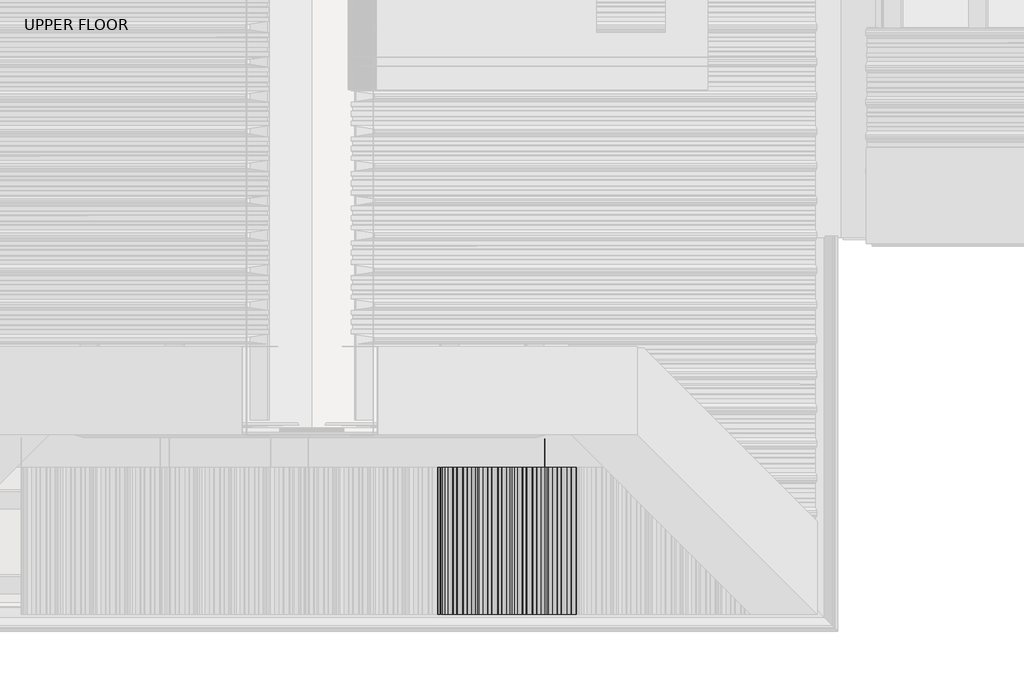
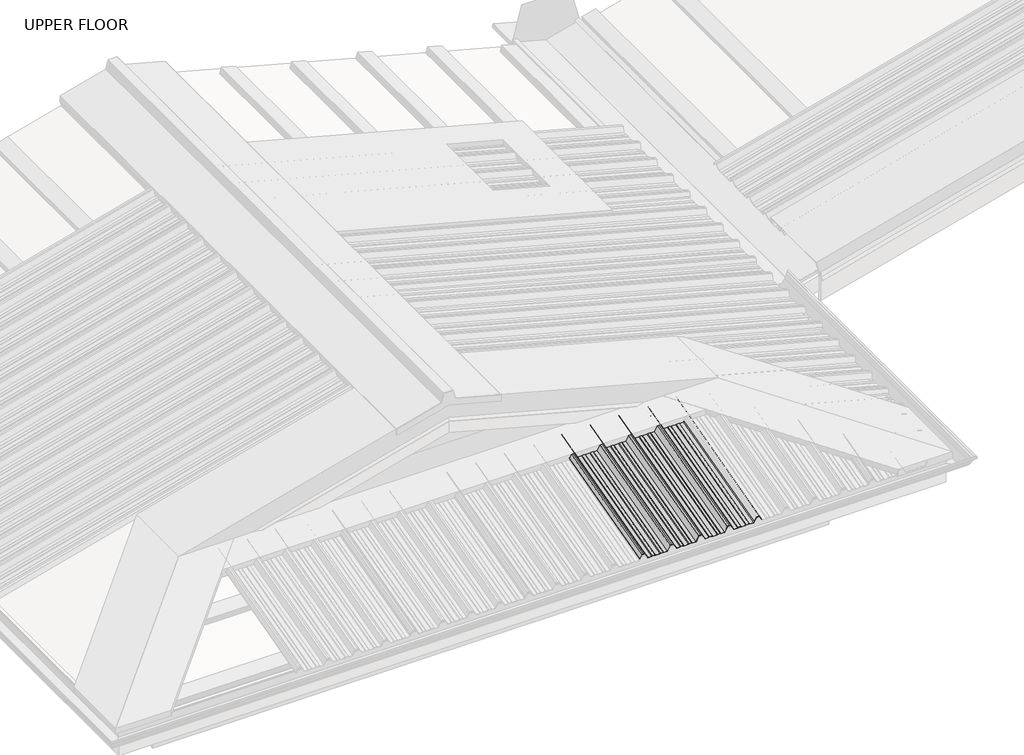
# One storey, part 10 of 21: 1 beam.
"""IFC4 building model written with IfcOpenShell, lengths in millimetres."""

from ifc_helpers import new_model, si_unit, frame, origin, place, context, project, spatial, circle_curve, ellipse_curve, element, save
from ifc_brep_helpers import plane_surface, cylinder_surface, advanced_brep

model = new_model("IFC4")

# Units and contexts
model_context = context("Model", 3, world=origin())
ifc_project = project(units=[si_unit("LENGTHUNIT", "METRE", prefix="MILLI")], contexts=[model_context])

# Site, building, storey
site = spatial("IfcSite", under=ifc_project)
building = spatial("IfcBuilding", under=site)
storey = spatial("IfcBuildingStorey", under=building, Name="UPPER FLOOR", Elevation=2700.0)

# Beam
placement = place(None, origin())
element("IfcBeam", 1, ObjectType="MC700", at=placement, inside=storey, context=model_context, shape_type="AdvancedBrep", body=[
    advanced_brep(
    [(3107.7151918, -3756.7074872, 3502.2532241), (3103.3348741, -3757.2355366, 3504.2239314), (3086.9068828, -3757.2355366, 3504.2239314), (3083.6918386, -3756.7074872, 3502.2532241), (3060.9942011, -3756.7074872, 3502.2532241), (3042.9196911, -3764.7308776, 3532.1969247), (3032.4942026, -3764.7308776, 3532.1969247), (3022.0687142, -3764.7308776, 3532.1969247), (3003.9942042, -3756.7074872, 3502.2532241), (2981.2965667, -3756.7074872, 3502.2532241), (2978.0815225, -3757.2355366, 3504.2239314), (2961.6535312, -3757.2355366, 3504.2239314), (2957.2732135, -3756.7074872, 3502.2532241), (2930.2151918, -3756.7074872, 3502.2532241), (2925.8348741, -3757.2355366, 3504.2239314), (2909.4068828, -3757.2355366, 3504.2239314), (2906.1918386, -3756.7074872, 3502.2532241), (2883.4942011, -3756.7074872, 3502.2532241), (2865.4196911, -3764.7308776, 3532.1969247), (2854.9942026, -3764.7308776, 3532.1969247), (2844.5687142, -3764.7308776, 3532.1969247), (2826.4942042, -3756.7074872, 3502.2532241), (2803.7965667, -3756.7074872, 3502.2532241), (2800.5815225, -3757.2355366, 3504.2239314), (2784.1535312, -3757.2355366, 3504.2239314), (2779.7732135, -3756.7074872, 3502.2532241), (2752.7151918, -3756.7074872, 3502.2532241), (2748.3348741, -3757.2355366, 3504.2239314), (2731.9068828, -3757.2355366, 3504.2239314), (2728.6918386, -3756.7074872, 3502.2532241), (2705.9942011, -3756.7074872, 3502.2532241), (2687.9196911, -3764.7308776, 3532.1969247), (2677.4942026, -3764.7308776, 3532.1969247), (2667.0687142, -3764.7308776, 3532.1969247), (2654.7658996, -3759.2695796, 3511.8150832), (2653.9020137, -3759.3999436, 3512.301608), (2666.4942026, -3764.9896966, 3533.1628505), (2677.4942026, -3764.9896966, 3533.1628505), (2688.4942026, -3764.9896966, 3533.1628505), (2706.5687126, -3756.9663062, 3503.2191499), (2728.4013241, -3756.9663062, 3503.2191499), (2731.6163683, -3757.4943557, 3505.1898572), (2748.5563376, -3757.4943557, 3505.1898572), (2752.9366553, -3756.9663062, 3503.2191499), (2779.55175, -3756.9663062, 3503.2191499), (2783.9320677, -3757.4943557, 3505.1898572), (2800.872037, -3757.4943557, 3505.1898572), (2804.0870812, -3756.9663062, 3503.2191499), (2825.9196927, -3756.9663062, 3503.2191499), (2843.9942026, -3764.9896966, 3533.1628505), (2854.9942026, -3764.9896966, 3533.1628505), (2865.9942026, -3764.9896966, 3533.1628505), (2884.0687126, -3756.9663062, 3503.2191499), (2905.9013241, -3756.9663062, 3503.2191499), (2909.1163683, -3757.4943557, 3505.1898572), (2926.0563376, -3757.4943557, 3505.1898572), (2930.4366553, -3756.9663062, 3503.2191499), (2957.05175, -3756.9663062, 3503.2191499), (2961.4320677, -3757.4943557, 3505.1898572), (2978.372037, -3757.4943557, 3505.1898572), (2981.5870812, -3756.9663062, 3503.2191499), (3003.4196927, -3756.9663062, 3503.2191499), (3021.4942026, -3764.9896966, 3533.1628505), (3032.4942026, -3764.9896966, 3533.1628505), (3043.4942026, -3764.9896966, 3533.1628505), (3061.5687126, -3756.9663062, 3503.2191499), (3083.4013241, -3756.9663062, 3503.2191499), (3086.6163683, -3757.4943557, 3505.1898572), (3103.5563376, -3757.4943557, 3505.1898572), (3107.9366553, -3756.9663062, 3503.2191499), (3134.55175, -3756.9663062, 3503.2191499), (3138.9320677, -3757.4943557, 3505.1898572), (3155.872037, -3757.4943557, 3505.1898572), (3159.0870812, -3756.9663062, 3503.2191499), (3180.9196927, -3756.9663062, 3503.2191499), (3198.9942026, -3764.9896966, 3533.1628505), (3209.9942026, -3764.9896966, 3533.1628505), (3220.9942026, -3764.9896966, 3533.1628505), (3239.0687126, -3756.9663062, 3503.2191499), (3260.9013241, -3756.9663062, 3503.2191499), (3264.1163683, -3757.4943557, 3505.1898572), (3281.0563376, -3757.4943557, 3505.1898572), (3285.4366553, -3756.9663062, 3503.2191499), (3312.05175, -3756.9663062, 3503.2191499), (3316.4320677, -3757.4943557, 3505.1898572), (3333.372037, -3757.4943557, 3505.1898572), (3336.5870812, -3756.9663062, 3503.2191499), (3360.7348132, -3756.9663062, 3503.2191499), (3377.6432258, -3764.4720586, 3531.2309989), (3397.3451795, -3764.4720586, 3531.2309989), (3411.7906953, -3758.0596019, 3507.2993847), (3410.9268094, -3757.9292379, 3506.8128599), (3396.7706679, -3764.2132395, 3530.265073), (3378.2177374, -3764.2132395, 3530.265073), (3361.3093248, -3756.7074872, 3502.2532241), (3336.2965667, -3756.7074872, 3502.2532241), (3333.0815225, -3757.2355366, 3504.2239314), (3316.6535312, -3757.2355366, 3504.2239314), (3312.2732135, -3756.7074872, 3502.2532241), (3285.2151918, -3756.7074872, 3502.2532241), (3280.8348741, -3757.2355366, 3504.2239314), (3264.4068828, -3757.2355366, 3504.2239314), (3261.1918386, -3756.7074872, 3502.2532241), (3238.4942011, -3756.7074872, 3502.2532241), (3220.4196911, -3764.7308776, 3532.1969247), (3209.9942026, -3764.7308776, 3532.1969247), (3199.5687142, -3764.7308776, 3532.1969247), (3181.4942042, -3756.7074872, 3502.2532241), (3158.7965667, -3756.7074872, 3502.2532241), (3155.5815225, -3757.2355366, 3504.2239314), (3139.1535312, -3757.2355366, 3504.2239314), (3134.7732135, -3756.7074872, 3502.2532241), (2961.6535312, -4660.4975954, 3262.1955922), (2957.2732135, -4660.4975954, 3260.0833945), (2930.2151918, -4660.4975954, 3260.0833945), (2925.8348741, -4660.4975954, 3262.1955922), (2909.4068828, -4660.4975954, 3262.1955922), (2906.1918386, -4660.4975954, 3260.0833945), (2883.4942011, -4660.4975954, 3260.0833945), (2865.4196911, -4660.4975954, 3292.176956), (2854.9942026, -4660.4975954, 3292.176956), (2844.5687142, -4660.4975954, 3292.176956), (2826.4942042, -4660.4975954, 3260.0833945), (2803.7965667, -4660.4975954, 3260.0833945), (2800.5815225, -4660.4975954, 3262.1955922), (2784.1535312, -4660.4975954, 3262.1955922), (2779.7732135, -4660.4975954, 3260.0833945), (2752.7151918, -4660.4975954, 3260.0833945), (2748.3348741, -4660.4975954, 3262.1955922), (2731.9068828, -4660.4975954, 3262.1955922), (2728.6918386, -4660.4975954, 3260.0833945), (2705.9942011, -4660.4975954, 3260.0833945), (2687.9196911, -4660.4975954, 3292.176956), (2677.4942026, -4660.4975954, 3292.176956), (2667.0687142, -4660.4975954, 3292.176956), (2654.7658996, -4660.4975954, 3270.3317642), (2653.9020137, -4660.4975954, 3270.8532199), (2666.4942026, -4660.4975954, 3293.2122322), (2677.4942026, -4660.4975954, 3293.2122322), (2688.4942026, -4660.4975954, 3293.2122322), (2706.5687126, -4660.4975954, 3261.1186706), (2728.4013241, -4660.4975954, 3261.1186706), (2731.6163683, -4660.4975954, 3263.2308683), (2748.5563376, -4660.4975954, 3263.2308683), (2752.9366553, -4660.4975954, 3261.1186706), (2779.55175, -4660.4975954, 3261.1186706), (2783.9320677, -4660.4975954, 3263.2308683), (2800.872037, -4660.4975954, 3263.2308683), (2804.0870812, -4660.4975954, 3261.1186706), (2825.9196927, -4660.4975954, 3261.1186706), (2843.9942026, -4660.4975954, 3293.2122322), (2854.9942026, -4660.4975954, 3293.2122322), (2865.9942026, -4660.4975954, 3293.2122322), (2884.0687126, -4660.4975954, 3261.1186706), (2905.9013241, -4660.4975954, 3261.1186706), (2909.1163683, -4660.4975954, 3263.2308683), (2926.0563376, -4660.4975954, 3263.2308683), (2930.4366553, -4660.4975954, 3261.1186706), (2957.05175, -4660.4975954, 3261.1186706), (2961.4320677, -4660.4975954, 3263.2308683), (2978.372037, -4660.4975954, 3263.2308683), (2981.5870812, -4660.4975954, 3261.1186706), (3003.4196927, -4660.4975954, 3261.1186706), (3021.4942026, -4660.4975954, 3293.2122322), (3032.4942026, -4660.4975954, 3293.2122322), (3043.4942026, -4660.4975954, 3293.2122322), (3061.5687126, -4660.4975954, 3261.1186706), (3083.4013241, -4660.4975954, 3261.1186706), (3086.6163683, -4660.4975954, 3263.2308683), (3103.5563376, -4660.4975954, 3263.2308683), (3107.9366553, -4660.4975954, 3261.1186706), (3134.55175, -4660.4975954, 3261.1186706), (3138.9320677, -4660.4975954, 3263.2308683), (3155.872037, -4660.4975954, 3263.2308683), (3159.0870812, -4660.4975954, 3261.1186706), (3180.9196927, -4660.4975954, 3261.1186706), (3198.9942026, -4660.4975954, 3293.2122322), (3209.9942026, -4660.4975954, 3293.2122322), (3220.9942026, -4660.4975954, 3293.2122322), (3239.0687126, -4660.4975954, 3261.1186706), (3260.9013241, -4660.4975954, 3261.1186706), (3264.1163683, -4660.4975954, 3263.2308683), (3281.0563376, -4660.4975954, 3263.2308683), (3285.4366553, -4660.4975954, 3261.1186706), (3312.05175, -4660.4975954, 3261.1186706), (3316.4320677, -4660.4975954, 3263.2308683), (3333.372037, -4660.4975954, 3263.2308683), (3336.5870812, -4660.4975954, 3261.1186706), (3360.7348132, -4660.4975954, 3261.1186706), (3377.6432258, -4660.4975954, 3291.1416799), (3397.3451795, -4660.4975954, 3291.1416799), (3411.7906953, -4660.4975954, 3265.4918531), (3410.9268094, -4660.4975954, 3264.9703974), (3396.7706679, -4660.4975954, 3290.1064037), (3378.2177374, -4660.4975954, 3290.1064037), (3361.3093248, -4660.4975954, 3260.0833945), (3336.2965667, -4660.4975954, 3260.0833945), (3333.0815225, -4660.4975954, 3262.1955922), (3316.6535312, -4660.4975954, 3262.1955922), (3312.2732135, -4660.4975954, 3260.0833945), (3285.2151918, -4660.4975954, 3260.0833945), (3280.8348741, -4660.4975954, 3262.1955922), (3264.4068828, -4660.4975954, 3262.1955922), (3261.1918386, -4660.4975954, 3260.0833945), (3238.4942011, -4660.4975954, 3260.0833945), (3220.4196911, -4660.4975954, 3292.176956), (3209.9942026, -4660.4975954, 3292.176956), (3199.5687142, -4660.4975954, 3292.176956), (3181.4942042, -4660.4975954, 3260.0833945), (3158.7965667, -4660.4975954, 3260.0833945), (3155.5815225, -4660.4975954, 3262.1955922), (3139.1535312, -4660.4975954, 3262.1955922), (3134.7732135, -4660.4975954, 3260.0833945), (3107.7151918, -4660.4975954, 3260.0833945), (3103.3348741, -4660.4975954, 3262.1955922), (3086.9068828, -4660.4975954, 3262.1955922), (3083.6918386, -4660.4975954, 3260.0833945), (3060.9942011, -4660.4975954, 3260.0833945), (3042.9196911, -4660.4975954, 3292.176956), (3032.4942026, -4660.4975954, 3292.176956), (3022.0687142, -4660.4975954, 3292.176956), (3003.9942042, -4660.4975954, 3260.0833945), (2981.2965667, -4660.4975954, 3260.0833945), (2978.0815225, -4660.4975954, 3262.1955922)],
    [
        (0, 1),
        (1, 2),
        (2, 3),
        (3, 4),
        (4, 5),
        (5, 6),
        (6, 7),
        (7, 8),
        (8, 9),
        (9, 10),
        (10, 11),
        (11, 12),
        (12, 13),
        (13, 14),
        (14, 15),
        (15, 16),
        (16, 17),
        (17, 18),
        (18, 19),
        (19, 20),
        (20, 21),
        (21, 22),
        (22, 23),
        (23, 24),
        (24, 25),
        (25, 26),
        (26, 27),
        (27, 28),
        (28, 29),
        (29, 30),
        (30, 31),
        (31, 32),
        (32, 33),
        (33, 34),
        (34, 35, circle_curve(frame((2654.3339567, -3759.3347616, 3512.0583456), z_axis=(0.0, 0.9659258262890683, 0.2588190451025206), x_axis=(-1.0, 0.0, 0.0)), 0.5)),
        (35, 36),
        (36, 37),
        (37, 38),
        (38, 39),
        (39, 40),
        (40, 41),
        (41, 42),
        (42, 43),
        (43, 44),
        (44, 45),
        (45, 46),
        (46, 47),
        (47, 48),
        (48, 49),
        (49, 50),
        (50, 51),
        (51, 52),
        (52, 53),
        (53, 54),
        (54, 55),
        (55, 56),
        (56, 57),
        (57, 58),
        (58, 59),
        (59, 60),
        (60, 61),
        (61, 62),
        (62, 63),
        (63, 64),
        (64, 65),
        (65, 66),
        (66, 67),
        (67, 68),
        (68, 69),
        (69, 70),
        (70, 71),
        (71, 72),
        (72, 73),
        (73, 74),
        (74, 75),
        (75, 76),
        (76, 77),
        (77, 78),
        (78, 79),
        (79, 80),
        (80, 81),
        (81, 82),
        (82, 83),
        (83, 84),
        (84, 85),
        (85, 86),
        (86, 87),
        (87, 88),
        (88, 89),
        (89, 90),
        (90, 91, circle_curve(frame((3411.3587523, -3757.9944199, 3507.0561223), z_axis=(0.0, 0.9659258262890683, 0.2588190451025206), x_axis=(-1.0, 0.0, 0.0)), 0.5)),
        (91, 92),
        (92, 93),
        (93, 94),
        (94, 95),
        (95, 96),
        (96, 97),
        (97, 98),
        (98, 99),
        (99, 100),
        (100, 101),
        (101, 102),
        (102, 103),
        (103, 104),
        (104, 105),
        (105, 106),
        (106, 107),
        (107, 108),
        (108, 109),
        (109, 110),
        (110, 111),
        (111, 0),
        (11, 112),
        (112, 113),
        (113, 12),
        (113, 114),
        (114, 13),
        (114, 115),
        (115, 14),
        (115, 116),
        (116, 15),
        (116, 117),
        (117, 16),
        (117, 118),
        (118, 17),
        (118, 119),
        (119, 18),
        (119, 120),
        (120, 19),
        (120, 121),
        (121, 20),
        (121, 122),
        (122, 21),
        (122, 123),
        (123, 22),
        (123, 124),
        (124, 23),
        (124, 125),
        (125, 24),
        (125, 126),
        (126, 25),
        (126, 127),
        (127, 26),
        (127, 128),
        (128, 27),
        (128, 129),
        (129, 28),
        (129, 130),
        (130, 29),
        (130, 131),
        (131, 30),
        (131, 132),
        (132, 31),
        (132, 133),
        (133, 32),
        (133, 134),
        (134, 33),
        (134, 135),
        (135, 34),
        (135, 136, ellipse_curve(frame((2654.3339567, -4660.4975954, 3270.5924921), z_axis=(0.0, 1.0, 0.0), x_axis=(0.0, 0.0, 1.0)), 0.5176381, 0.5)),
        (136, 35),
        (136, 137),
        (137, 36),
        (137, 138),
        (138, 37),
        (138, 139),
        (139, 38),
        (139, 140),
        (140, 39),
        (140, 141),
        (141, 40),
        (141, 142),
        (142, 41),
        (142, 143),
        (143, 42),
        (143, 144),
        (144, 43),
        (144, 145),
        (145, 44),
        (145, 146),
        (146, 45),
        (146, 147),
        (147, 46),
        (147, 148),
        (148, 47),
        (148, 149),
        (149, 48),
        (149, 150),
        (150, 49),
        (150, 151),
        (151, 50),
        (151, 152),
        (152, 51),
        (152, 153),
        (153, 52),
        (153, 154),
        (154, 53),
        (154, 155),
        (155, 54),
        (155, 156),
        (156, 55),
        (156, 157),
        (157, 56),
        (157, 158),
        (158, 57),
        (158, 159),
        (159, 58),
        (159, 160),
        (160, 59),
        (160, 161),
        (161, 60),
        (161, 162),
        (162, 61),
        (162, 163),
        (163, 62),
        (163, 164),
        (164, 63),
        (164, 165),
        (165, 64),
        (165, 166),
        (166, 65),
        (166, 167),
        (167, 66),
        (167, 168),
        (168, 67),
        (168, 169),
        (169, 68),
        (169, 170),
        (170, 69),
        (170, 171),
        (171, 70),
        (171, 172),
        (172, 71),
        (172, 173),
        (173, 72),
        (173, 174),
        (174, 73),
        (174, 175),
        (175, 74),
        (175, 176),
        (176, 75),
        (176, 177),
        (177, 76),
        (177, 178),
        (178, 77),
        (178, 179),
        (179, 78),
        (179, 180),
        (180, 79),
        (180, 181),
        (181, 80),
        (181, 182),
        (182, 81),
        (182, 183),
        (183, 82),
        (183, 184),
        (184, 83),
        (184, 185),
        (185, 84),
        (185, 186),
        (186, 85),
        (186, 187),
        (187, 86),
        (187, 188),
        (188, 87),
        (188, 189),
        (189, 88),
        (189, 190),
        (190, 89),
        (190, 191),
        (191, 90),
        (191, 192, ellipse_curve(frame((3411.3587523, -4660.4975954, 3265.2311252), z_axis=(0.0, 1.0, 0.0), x_axis=(0.0, 0.0, 1.0)), 0.5176381, 0.5)),
        (192, 91),
        (192, 193),
        (193, 92),
        (193, 194),
        (194, 93),
        (194, 195),
        (195, 94),
        (195, 196),
        (196, 95),
        (196, 197),
        (197, 96),
        (197, 198),
        (198, 97),
        (198, 199),
        (199, 98),
        (199, 200),
        (200, 99),
        (200, 201),
        (201, 100),
        (201, 202),
        (202, 101),
        (202, 203),
        (203, 102),
        (203, 204),
        (204, 103),
        (204, 205),
        (205, 104),
        (205, 206),
        (206, 105),
        (206, 207),
        (207, 106),
        (207, 208),
        (208, 107),
        (208, 209),
        (209, 108),
        (209, 210),
        (210, 109),
        (210, 211),
        (211, 110),
        (211, 212),
        (212, 111),
        (212, 213),
        (213, 0),
        (213, 214),
        (214, 1),
        (214, 215),
        (215, 2),
        (215, 216),
        (216, 3),
        (216, 217),
        (217, 4),
        (217, 218),
        (218, 5),
        (218, 219),
        (219, 6),
        (219, 220),
        (220, 7),
        (220, 221),
        (221, 8),
        (221, 222),
        (222, 9),
        (222, 223),
        (223, 10),
        (223, 112),
    ],
    [
        plane_surface(frame((3107.7151918, -3756.7074872, 3502.2532241), z_axis=(0.0, 0.9659258262890683, 0.2588190451025206), x_axis=(-0.9064939238095152, -0.10927828227881031, 0.40783210162838035))),
        plane_surface(frame((2961.6535312, -3757.2355366, 3504.2239314), z_axis=(0.4222188604224432, 0.23461789175161535, -0.8756058923817271), x_axis=(0.0, -0.9659258262890683, -0.2588190451025206))),
        plane_surface(frame((2957.2732135, -3756.7074872, 3502.2532241), z_axis=(0.0, 0.2588190451025206, -0.9659258262890683), x_axis=(0.0, -0.9659258262890683, -0.2588190451025206))),
        plane_surface(frame((2930.2151918, -3756.7074872, 3502.2532241), z_axis=(-0.42221886042244317, 0.23461789175161676, -0.8756058923817267), x_axis=(0.0, -0.9659258262890683, -0.2588190451025206))),
        plane_surface(frame((2925.8348741, -3757.2355366, 3504.2239314), z_axis=(0.0, 0.2588190451025206, -0.9659258262890683), x_axis=(0.0, -0.9659258262890683, -0.2588190451025206))),
        plane_surface(frame((2909.4068828, -3757.2355366, 3504.2239314), z_axis=(0.5358075541289593, 0.21853130769187554, -0.8155699433505511), x_axis=(0.0, -0.9659258262890683, -0.2588190451025206))),
        plane_surface(frame((2906.1918386, -3756.7074872, 3502.2532241), z_axis=(0.0, 0.2588190451025206, -0.9659258262890683), x_axis=(0.0, -0.9659258262890683, -0.2588190451025206))),
        plane_surface(frame((2883.4942011, -3756.7074872, 3502.2532241), z_axis=(-0.8638858976217888, 0.1303639327417882, -0.4865248204668401), x_axis=(0.0, -0.9659258262890683, -0.2588190451025206))),
        plane_surface(frame((2865.4196911, -3764.7308776, 3532.1969247), z_axis=(0.0, 0.2588190451025206, -0.9659258262890683), x_axis=(0.0, -0.9659258262890683, -0.2588190451025206))),
        plane_surface(frame((2854.9942026, -3764.7308776, 3532.1969247), z_axis=(0.0, 0.2588190451025206, -0.9659258262890683), x_axis=(0.0, -0.9659258262890683, -0.2588190451025206))),
        plane_surface(frame((2844.5687142, -3764.7308776, 3532.1969247), z_axis=(0.8638858976217945, 0.13036393274178276, -0.4865248204668313), x_axis=(0.0, -0.9659258262890683, -0.2588190451025206))),
        plane_surface(frame((2826.4942042, -3756.7074872, 3502.2532241), z_axis=(0.0, 0.2588190451025206, -0.9659258262890683), x_axis=(0.0, -0.9659258262890683, -0.2588190451025206))),
        plane_surface(frame((2803.7965667, -3756.7074872, 3502.2532241), z_axis=(-0.5358075541289401, 0.21853130769188048, -0.8155699433505624), x_axis=(0.0, -0.9659258262890683, -0.2588190451025206))),
        plane_surface(frame((2800.5815225, -3757.2355366, 3504.2239314), z_axis=(0.0, 0.2588190451025206, -0.9659258262890683), x_axis=(0.0, -0.9659258262890683, -0.2588190451025206))),
        plane_surface(frame((2784.1535312, -3757.2355366, 3504.2239314), z_axis=(0.42221886042244033, 0.23461789175161574, -0.8756058923817285), x_axis=(0.0, -0.9659258262890683, -0.2588190451025206))),
        plane_surface(frame((2779.7732135, -3756.7074872, 3502.2532241), z_axis=(0.0, 0.2588190451025206, -0.9659258262890683), x_axis=(0.0, -0.9659258262890683, -0.2588190451025206))),
        plane_surface(frame((2752.7151918, -3756.7074872, 3502.2532241), z_axis=(-0.4222188604224432, 0.23461789175161682, -0.8756058923817267), x_axis=(0.0, -0.9659258262890683, -0.2588190451025206))),
        plane_surface(frame((2748.3348741, -3757.2355366, 3504.2239314), z_axis=(0.0, 0.2588190451025206, -0.9659258262890683), x_axis=(0.0, -0.9659258262890683, -0.2588190451025206))),
        plane_surface(frame((2731.9068828, -3757.2355366, 3504.2239314), z_axis=(0.5358075541289594, 0.21853130769187548, -0.8155699433505512), x_axis=(0.0, -0.9659258262890683, -0.2588190451025206))),
        plane_surface(frame((2728.6918386, -3756.7074872, 3502.2532241), z_axis=(0.0, 0.2588190451025206, -0.9659258262890683), x_axis=(0.0, -0.9659258262890683, -0.2588190451025206))),
        plane_surface(frame((2705.9942011, -3756.7074872, 3502.2532241), z_axis=(-0.8638858976217888, 0.1303639327417882, -0.4865248204668401), x_axis=(0.0, -0.9659258262890683, -0.2588190451025206))),
        plane_surface(frame((2687.9196911, -3764.7308776, 3532.1969247), z_axis=(0.0, 0.2588190451025206, -0.9659258262890683), x_axis=(0.0, -0.9659258262890683, -0.2588190451025206))),
        plane_surface(frame((2677.4942026, -3764.7308776, 3532.1969247), z_axis=(0.0, 0.2588190451025205, -0.9659258262890683), x_axis=(0.0, -0.9659258262890683, -0.2588190451025205))),
        plane_surface(frame((2667.0687142, -3764.7308776, 3532.1969247), z_axis=(0.8638858976217889, 0.13036393274178504, -0.48652482046684026), x_axis=(0.0, -0.9659258262890683, -0.2588190451025206))),
        cylinder_surface(frame((2654.3339567, -4672.135119, 3267.474227), z_axis=(0.0, 0.9659258262890683, 0.2588190451025206), x_axis=(-1.0, 0.0, 0.0)), 0.5),
        plane_surface(frame((2653.9020137, -3759.3999436, 3512.301608), z_axis=(-0.8638858976218091, -0.1303639327417763, 0.48652482046680706), x_axis=(0.0, -0.9659258262890683, -0.25881904510252063))),
        plane_surface(frame((2666.4942026, -3764.9896966, 3533.1628505), z_axis=(0.0, -0.2588190451025205, 0.9659258262890683), x_axis=(0.0, -0.9659258262890683, -0.2588190451025205))),
        plane_surface(frame((2677.4942026, -3764.9896966, 3533.1628505), z_axis=(0.0, -0.2588190451025206, 0.9659258262890683), x_axis=(0.0, -0.9659258262890683, -0.2588190451025206))),
        plane_surface(frame((2688.4942026, -3764.9896966, 3533.1628505), z_axis=(0.8638858976217888, -0.13036393274178834, 0.48652482046684004), x_axis=(0.0, -0.9659258262890683, -0.25881904510252063))),
        plane_surface(frame((2706.5687126, -3756.9663062, 3503.2191499), z_axis=(0.0, -0.2588190451025206, 0.9659258262890683), x_axis=(0.0, -0.9659258262890683, -0.2588190451025206))),
        plane_surface(frame((2728.4013241, -3756.9663062, 3503.2191499), z_axis=(-0.5358075541289432, -0.21853130769187817, 0.8155699433505609), x_axis=(0.0, -0.9659258262890683, -0.2588190451025206))),
        plane_surface(frame((2731.6163683, -3757.4943557, 3505.1898572), z_axis=(0.0, -0.2588190451025206, 0.9659258262890683), x_axis=(0.0, -0.9659258262890683, -0.2588190451025206))),
        plane_surface(frame((2748.5563376, -3757.4943557, 3505.1898572), z_axis=(0.4222188604224461, -0.2346178917516165, 0.8756058923817254), x_axis=(0.0, -0.9659258262890683, -0.25881904510252063))),
        plane_surface(frame((2752.9366553, -3756.9663062, 3503.2191499), z_axis=(0.0, -0.2588190451025206, 0.9659258262890683), x_axis=(0.0, -0.9659258262890683, -0.2588190451025206))),
        plane_surface(frame((2779.55175, -3756.9663062, 3503.2191499), z_axis=(-0.42221886042243784, -0.23461789175161601, 0.8756058923817296), x_axis=(0.0, -0.9659258262890683, -0.2588190451025206))),
        plane_surface(frame((2783.9320677, -3757.4943557, 3505.1898572), z_axis=(0.0, -0.2588190451025206, 0.9659258262890683), x_axis=(0.0, -0.9659258262890683, -0.2588190451025206))),
        plane_surface(frame((2800.872037, -3757.4943557, 3505.1898572), z_axis=(0.5358075541289593, -0.21853130769187734, 0.8155699433505507), x_axis=(0.0, -0.9659258262890683, -0.2588190451025206))),
        plane_surface(frame((2804.0870812, -3756.9663062, 3503.2191499), z_axis=(0.0, -0.2588190451025206, 0.9659258262890683), x_axis=(0.0, -0.9659258262890683, -0.2588190451025206))),
        plane_surface(frame((2825.9196927, -3756.9663062, 3503.2191499), z_axis=(-0.8638858976217945, -0.13036393274178268, 0.4865248204668312), x_axis=(0.0, -0.9659258262890683, -0.2588190451025206))),
        plane_surface(frame((2843.9942026, -3764.9896966, 3533.1628505), z_axis=(0.0, -0.2588190451025206, 0.9659258262890683), x_axis=(0.0, -0.9659258262890683, -0.2588190451025206))),
        plane_surface(frame((2854.9942026, -3764.9896966, 3533.1628505), z_axis=(0.0, -0.2588190451025206, 0.9659258262890683), x_axis=(0.0, -0.9659258262890683, -0.2588190451025206))),
        plane_surface(frame((2865.9942026, -3764.9896966, 3533.1628505), z_axis=(0.8638858976217905, -0.1303639327417875, 0.4865248204668373), x_axis=(0.0, -0.9659258262890683, -0.2588190451025206))),
        plane_surface(frame((2884.0687126, -3756.9663062, 3503.2191499), z_axis=(0.0, -0.2588190451025206, 0.9659258262890683), x_axis=(0.0, -0.9659258262890683, -0.2588190451025206))),
        plane_surface(frame((2905.9013241, -3756.9663062, 3503.2191499), z_axis=(-0.5358075541289593, -0.21853130769187554, 0.8155699433505512), x_axis=(0.0, -0.9659258262890683, -0.2588190451025206))),
        plane_surface(frame((2909.1163683, -3757.4943557, 3505.1898572), z_axis=(0.0, -0.2588190451025206, 0.9659258262890683), x_axis=(0.0, -0.9659258262890683, -0.2588190451025206))),
        plane_surface(frame((2926.0563376, -3757.4943557, 3505.1898572), z_axis=(0.42221886042245393, -0.2346178917516155, 0.8756058923817218), x_axis=(0.0, -0.9659258262890683, -0.2588190451025206))),
        plane_surface(frame((2930.4366553, -3756.9663062, 3503.2191499), z_axis=(0.0, -0.2588190451025206, 0.9659258262890683), x_axis=(0.0, -0.9659258262890683, -0.2588190451025206))),
        plane_surface(frame((2957.05175, -3756.9663062, 3503.2191499), z_axis=(-0.4222188604224408, -0.23461789175161568, 0.8756058923817283), x_axis=(0.0, -0.9659258262890683, -0.2588190451025206))),
        plane_surface(frame((2961.4320677, -3757.4943557, 3505.1898572), z_axis=(0.0, -0.2588190451025206, 0.9659258262890683), x_axis=(0.0, -0.9659258262890683, -0.2588190451025206))),
        plane_surface(frame((2978.372037, -3757.4943557, 3505.1898572), z_axis=(0.5358075541289656, -0.21853130769187631, 0.8155699433505468), x_axis=(0.0, -0.9659258262890683, -0.2588190451025206))),
        plane_surface(frame((2981.5870812, -3756.9663062, 3503.2191499), z_axis=(0.0, -0.2588190451025206, 0.9659258262890683), x_axis=(0.0, -0.9659258262890683, -0.2588190451025206))),
        plane_surface(frame((3003.4196927, -3756.9663062, 3503.2191499), z_axis=(-0.8638858976217906, -0.13036393274178448, 0.486524820466838), x_axis=(0.0, -0.9659258262890683, -0.2588190451025206))),
        plane_surface(frame((3021.4942026, -3764.9896966, 3533.1628505), z_axis=(0.0, -0.2588190451025206, 0.9659258262890683), x_axis=(0.0, -0.9659258262890683, -0.2588190451025206))),
        plane_surface(frame((3032.4942026, -3764.9896966, 3533.1628505), z_axis=(0.0, -0.2588190451025206, 0.9659258262890683), x_axis=(0.0, -0.9659258262890683, -0.2588190451025206))),
        plane_surface(frame((3043.4942026, -3764.9896966, 3533.1628505), z_axis=(0.8638858976217879, -0.13036393274178862, 0.48652482046684137), x_axis=(0.0, -0.9659258262890683, -0.2588190451025206))),
        plane_surface(frame((3061.5687126, -3756.9663062, 3503.2191499), z_axis=(0.0, -0.2588190451025206, 0.9659258262890683), x_axis=(0.0, -0.9659258262890683, -0.2588190451025206))),
        plane_surface(frame((3083.4013241, -3756.9663062, 3503.2191499), z_axis=(-0.5358075541289552, -0.21853130769187618, 0.8155699433505536), x_axis=(0.0, -0.9659258262890683, -0.2588190451025206))),
        plane_surface(frame((3086.6163683, -3757.4943557, 3505.1898572), z_axis=(0.0, -0.2588190451025206, 0.9659258262890683), x_axis=(0.0, -0.9659258262890683, -0.2588190451025206))),
        plane_surface(frame((3103.5563376, -3757.4943557, 3505.1898572), z_axis=(0.42221886042244594, -0.2346178917516165, 0.8756058923817255), x_axis=(0.0, -0.9659258262890683, -0.2588190451025206))),
        plane_surface(frame((3107.9366553, -3756.9663062, 3503.2191499), z_axis=(0.0, -0.2588190451025206, 0.9659258262890683), x_axis=(0.0, -0.9659258262890683, -0.2588190451025206))),
        plane_surface(frame((3134.55175, -3756.9663062, 3503.2191499), z_axis=(-0.42221886042244855, -0.23461789175161474, 0.8756058923817247), x_axis=(0.0, -0.9659258262890683, -0.2588190451025206))),
        plane_surface(frame((3138.9320677, -3757.4943557, 3505.1898572), z_axis=(0.0, -0.2588190451025206, 0.9659258262890683), x_axis=(0.0, -0.9659258262890683, -0.2588190451025206))),
        plane_surface(frame((3155.872037, -3757.4943557, 3505.1898572), z_axis=(0.5358075541289593, -0.21853130769187734, 0.8155699433505507), x_axis=(0.0, -0.9659258262890683, -0.2588190451025206))),
        plane_surface(frame((3159.0870812, -3756.9663062, 3503.2191499), z_axis=(0.0, -0.2588190451025206, 0.9659258262890683), x_axis=(0.0, -0.9659258262890683, -0.2588190451025206))),
        plane_surface(frame((3180.9196927, -3756.9663062, 3503.2191499), z_axis=(-0.8638858976217911, -0.13036393274178418, 0.48652482046683676), x_axis=(0.0, -0.9659258262890683, -0.2588190451025206))),
        plane_surface(frame((3198.9942026, -3764.9896966, 3533.1628505), z_axis=(0.0, -0.2588190451025206, 0.9659258262890683), x_axis=(0.0, -0.9659258262890683, -0.2588190451025206))),
        plane_surface(frame((3209.9942026, -3764.9896966, 3533.1628505), z_axis=(0.0, -0.2588190451025206, 0.9659258262890683), x_axis=(0.0, -0.9659258262890683, -0.2588190451025206))),
        plane_surface(frame((3220.9942026, -3764.9896966, 3533.1628505), z_axis=(0.8638858976217862, -0.13036393274178934, 0.48652482046684403), x_axis=(0.0, -0.9659258262890683, -0.2588190451025206))),
        plane_surface(frame((3239.0687126, -3756.9663062, 3503.2191499), z_axis=(0.0, -0.2588190451025206, 0.9659258262890683), x_axis=(0.0, -0.9659258262890683, -0.2588190451025206))),
        plane_surface(frame((3260.9013241, -3756.9663062, 3503.2191499), z_axis=(-0.5358075541289552, -0.21853130769187618, 0.8155699433505536), x_axis=(0.0, -0.9659258262890683, -0.2588190451025206))),
        plane_surface(frame((3264.1163683, -3757.4943557, 3505.1898572), z_axis=(0.0, -0.2588190451025206, 0.9659258262890683), x_axis=(0.0, -0.9659258262890683, -0.2588190451025206))),
        plane_surface(frame((3281.0563376, -3757.4943557, 3505.1898572), z_axis=(0.4222188604224486, -0.23461789175161618, 0.8756058923817243), x_axis=(0.0, -0.9659258262890683, -0.2588190451025206))),
        plane_surface(frame((3285.4366553, -3756.9663062, 3503.2191499), z_axis=(0.0, -0.2588190451025206, 0.9659258262890683), x_axis=(0.0, -0.9659258262890683, -0.2588190451025206))),
        plane_surface(frame((3312.05175, -3756.9663062, 3503.2191499), z_axis=(-0.4222188604224459, -0.23461789175161504, 0.8756058923817259), x_axis=(0.0, -0.9659258262890683, -0.2588190451025206))),
        plane_surface(frame((3316.4320677, -3757.4943557, 3505.1898572), z_axis=(0.0, -0.2588190451025206, 0.9659258262890683), x_axis=(0.0, -0.9659258262890683, -0.2588190451025206))),
        plane_surface(frame((3333.372037, -3757.4943557, 3505.1898572), z_axis=(0.5358075541289553, -0.218531307691878, 0.8155699433505531), x_axis=(0.0, -0.9659258262890683, -0.2588190451025206))),
        plane_surface(frame((3336.5870812, -3756.9663062, 3503.2191499), z_axis=(0.0, -0.2588190451025206, 0.9659258262890683), x_axis=(0.0, -0.9659258262890683, -0.2588190451025206))),
        plane_surface(frame((3360.7348132, -3756.9663062, 3503.2191499), z_axis=(-0.8638858976217909, -0.1303639327417843, 0.4865248204668372), x_axis=(0.0, -0.9659258262890683, -0.2588190451025206))),
        plane_surface(frame((3377.6432258, -3764.4720586, 3531.2309989), z_axis=(0.0, -0.2588190451025206, 0.9659258262890683), x_axis=(0.0, -0.9659258262890683, -0.2588190451025206))),
        plane_surface(frame((3397.3451795, -3764.4720586, 3531.2309989), z_axis=(0.8638858976217942, -0.13036393274178573, 0.48652482046683065), x_axis=(0.0, -0.9659258262890683, -0.2588190451025206))),
        cylinder_surface(frame((3411.3587523, -4670.7947773, 3262.4720037), z_axis=(0.0, 0.9659258262890683, 0.2588190451025206), x_axis=(-1.0, 0.0, 0.0)), 0.5),
        plane_surface(frame((3410.9268094, -3757.9292379, 3506.8128599), z_axis=(-0.8638858976217776, 0.13036393274179317, -0.4865248204668584), x_axis=(0.0, -0.9659258262890683, -0.2588190451025206))),
        plane_surface(frame((3396.7706679, -3764.2132395, 3530.265073), z_axis=(0.0, 0.2588190451025206, -0.9659258262890683), x_axis=(0.0, -0.9659258262890683, -0.2588190451025206))),
        plane_surface(frame((3378.2177374, -3764.2132395, 3530.265073), z_axis=(0.8638858976217909, 0.1303639327417843, -0.4865248204668372), x_axis=(0.0, -0.9659258262890683, -0.2588190451025206))),
        plane_surface(frame((3361.3093248, -3756.7074872, 3502.2532241), z_axis=(0.0, 0.2588190451025206, -0.9659258262890683), x_axis=(0.0, -0.9659258262890683, -0.2588190451025206))),
        plane_surface(frame((3336.2965667, -3756.7074872, 3502.2532241), z_axis=(-0.5358075541289553, 0.218531307691878, -0.8155699433505531), x_axis=(0.0, -0.9659258262890683, -0.2588190451025206))),
        plane_surface(frame((3333.0815225, -3757.2355366, 3504.2239314), z_axis=(0.0, 0.2588190451025206, -0.9659258262890683), x_axis=(0.0, -0.9659258262890683, -0.2588190451025206))),
        plane_surface(frame((3316.6535312, -3757.2355366, 3504.2239314), z_axis=(0.4222188604224459, 0.23461789175161504, -0.8756058923817259), x_axis=(0.0, -0.9659258262890683, -0.2588190451025206))),
        plane_surface(frame((3312.2732135, -3756.7074872, 3502.2532241), z_axis=(0.0, 0.2588190451025206, -0.9659258262890683), x_axis=(0.0, -0.9659258262890683, -0.2588190451025206))),
        plane_surface(frame((3285.2151918, -3756.7074872, 3502.2532241), z_axis=(-0.42221886042244594, 0.2346178917516165, -0.8756058923817255), x_axis=(0.0, -0.9659258262890683, -0.2588190451025206))),
        plane_surface(frame((3280.8348741, -3757.2355366, 3504.2239314), z_axis=(0.0, 0.2588190451025206, -0.9659258262890683), x_axis=(0.0, -0.9659258262890683, -0.2588190451025206))),
        plane_surface(frame((3264.4068828, -3757.2355366, 3504.2239314), z_axis=(0.5358075541289593, 0.21853130769187554, -0.8155699433505512), x_axis=(0.0, -0.9659258262890683, -0.2588190451025206))),
        plane_surface(frame((3261.1918386, -3756.7074872, 3502.2532241), z_axis=(0.0, 0.2588190451025206, -0.9659258262890683), x_axis=(0.0, -0.9659258262890683, -0.2588190451025206))),
        plane_surface(frame((3238.4942011, -3756.7074872, 3502.2532241), z_axis=(-0.8638858976217905, 0.1303639327417875, -0.4865248204668373), x_axis=(0.0, -0.9659258262890683, -0.2588190451025206))),
        plane_surface(frame((3220.4196911, -3764.7308776, 3532.1969247), z_axis=(0.0, 0.2588190451025206, -0.9659258262890683), x_axis=(0.0, -0.9659258262890683, -0.2588190451025206))),
        plane_surface(frame((3209.9942026, -3764.7308776, 3532.1969247), z_axis=(0.0, 0.2588190451025206, -0.9659258262890683), x_axis=(0.0, -0.9659258262890683, -0.2588190451025206))),
        plane_surface(frame((3199.5687142, -3764.7308776, 3532.1969247), z_axis=(0.8638858976217945, 0.1303639327417827, -0.4865248204668313), x_axis=(0.0, -0.9659258262890683, -0.2588190451025206))),
        plane_surface(frame((3181.4942042, -3756.7074872, 3502.2532241), z_axis=(0.0, 0.2588190451025206, -0.9659258262890683), x_axis=(0.0, -0.9659258262890683, -0.2588190451025206))),
        plane_surface(frame((3158.7965667, -3756.7074872, 3502.2532241), z_axis=(-0.5358075541289513, 0.21853130769187867, -0.8155699433505555), x_axis=(0.0, -0.9659258262890683, -0.2588190451025206))),
        plane_surface(frame((3155.5815225, -3757.2355366, 3504.2239314), z_axis=(0.0, 0.2588190451025206, -0.9659258262890683), x_axis=(0.0, -0.9659258262890683, -0.2588190451025206))),
        plane_surface(frame((3139.1535312, -3757.2355366, 3504.2239314), z_axis=(0.4222188604224432, 0.23461789175161535, -0.8756058923817271), x_axis=(0.0, -0.9659258262890683, -0.2588190451025206))),
        plane_surface(frame((3134.7732135, -3756.7074872, 3502.2532241), z_axis=(0.0, 0.2588190451025206, -0.9659258262890683), x_axis=(0.0, -0.9659258262890683, -0.2588190451025206))),
        plane_surface(frame((3107.7151918, -3756.7074872, 3502.2532241), z_axis=(-0.42221886042244594, 0.2346178917516165, -0.8756058923817255), x_axis=(0.0, -0.9659258262890683, -0.2588190451025206))),
        plane_surface(frame((3103.3348741, -3757.2355366, 3504.2239314), z_axis=(0.0, 0.2588190451025206, -0.9659258262890683), x_axis=(0.0, -0.9659258262890683, -0.2588190451025206))),
        plane_surface(frame((3086.9068828, -3757.2355366, 3504.2239314), z_axis=(0.5358075541289593, 0.21853130769187554, -0.8155699433505512), x_axis=(0.0, -0.9659258262890683, -0.2588190451025206))),
        plane_surface(frame((3083.6918386, -3756.7074872, 3502.2532241), z_axis=(0.0, 0.2588190451025206, -0.9659258262890683), x_axis=(0.0, -0.9659258262890683, -0.2588190451025206))),
        plane_surface(frame((3060.9942011, -3756.7074872, 3502.2532241), z_axis=(-0.8638858976217888, 0.13036393274178826, -0.4865248204668401), x_axis=(0.0, -0.9659258262890683, -0.2588190451025206))),
        plane_surface(frame((3042.9196911, -3764.7308776, 3532.1969247), z_axis=(0.0, 0.2588190451025206, -0.9659258262890683), x_axis=(0.0, -0.9659258262890683, -0.2588190451025206))),
        plane_surface(frame((3032.4942026, -3764.7308776, 3532.1969247), z_axis=(0.0, 0.2588190451025206, -0.9659258262890683), x_axis=(0.0, -0.9659258262890683, -0.2588190451025206))),
        plane_surface(frame((3022.0687142, -3764.7308776, 3532.1969247), z_axis=(0.8638858976217945, 0.13036393274178268, -0.4865248204668312), x_axis=(0.0, -0.9659258262890683, -0.2588190451025206))),
        plane_surface(frame((3003.9942042, -3756.7074872, 3502.2532241), z_axis=(0.0, 0.2588190451025206, -0.9659258262890683), x_axis=(0.0, -0.9659258262890683, -0.2588190451025206))),
        plane_surface(frame((2981.2965667, -3756.7074872, 3502.2532241), z_axis=(-0.5358075541289464, 0.21853130769187948, -0.8155699433505585), x_axis=(0.0, -0.9659258262890683, -0.2588190451025206))),
        plane_surface(frame((2978.0815225, -3757.2355366, 3504.2239314), z_axis=(0.0, 0.2588190451025206, -0.9659258262890683), x_axis=(0.0, -0.9659258262890683, -0.2588190451025206))),
        plane_surface(frame((-1839.2547497, -4660.4975954, 4094.1480288), z_axis=(0.0, -1.0, 0.0), x_axis=(0.0, 0.0, -1.0))),
    ],
    [
        (0, [[1, 2, 3, 4, 5, 6, 7, 8, 9, 10, 11, 12, 13, 14, 15, 16, 17, 18, 19, 20, 21, 22, 23, 24, 25, 26, 27, 28, 29, 30, 31, 32, 33, 34, 35, 36, 37, 38, 39, 40, 41, 42, 43, 44, 45, 46, 47, 48, 49, 50, 51, 52, 53, 54, 55, 56, 57, 58, 59, 60, 61, 62, 63, 64, 65, 66, 67, 68, 69, 70, 71, 72, 73, 74, 75, 76, 77, 78, 79, 80, 81, 82, 83, 84, 85, 86, 87, 88, 89, 90, 91, 92, 93, 94, 95, 96, 97, 98, 99, 100, 101, 102, 103, 104, 105, 106, 107, 108, 109, 110, 111, 112]]),
        (1, [[-12, 113, 114, 115]]),
        (2, [[-13, -115, 116, 117]]),
        (3, [[-14, -117, 118, 119]]),
        (4, [[-15, -119, 120, 121]]),
        (5, [[-16, -121, 122, 123]]),
        (6, [[-17, -123, 124, 125]]),
        (7, [[-18, -125, 126, 127]]),
        (8, [[-19, -127, 128, 129]]),
        (9, [[-20, -129, 130, 131]]),
        (10, [[-21, -131, 132, 133]]),
        (11, [[-22, -133, 134, 135]]),
        (12, [[-23, -135, 136, 137]]),
        (13, [[-24, -137, 138, 139]]),
        (14, [[-25, -139, 140, 141]]),
        (15, [[-26, -141, 142, 143]]),
        (16, [[-27, -143, 144, 145]]),
        (17, [[-28, -145, 146, 147]]),
        (18, [[-29, -147, 148, 149]]),
        (19, [[-30, -149, 150, 151]]),
        (20, [[-31, -151, 152, 153]]),
        (21, [[-32, -153, 154, 155]]),
        (22, [[-33, -155, 156, 157]]),
        (23, [[-34, -157, 158, 159]]),
        (24, [[-35, -159, 160, 161]]),
        (25, [[-36, -161, 162, 163]]),
        (26, [[-37, -163, 164, 165]]),
        (27, [[-38, -165, 166, 167]]),
        (28, [[-39, -167, 168, 169]]),
        (29, [[-40, -169, 170, 171]]),
        (30, [[-41, -171, 172, 173]]),
        (31, [[-42, -173, 174, 175]]),
        (32, [[-43, -175, 176, 177]]),
        (33, [[-44, -177, 178, 179]]),
        (34, [[-45, -179, 180, 181]]),
        (35, [[-46, -181, 182, 183]]),
        (36, [[-47, -183, 184, 185]]),
        (37, [[-48, -185, 186, 187]]),
        (38, [[-49, -187, 188, 189]]),
        (39, [[-50, -189, 190, 191]]),
        (40, [[-51, -191, 192, 193]]),
        (41, [[-52, -193, 194, 195]]),
        (42, [[-53, -195, 196, 197]]),
        (43, [[-54, -197, 198, 199]]),
        (44, [[-55, -199, 200, 201]]),
        (45, [[-56, -201, 202, 203]]),
        (46, [[-57, -203, 204, 205]]),
        (47, [[-58, -205, 206, 207]]),
        (48, [[-59, -207, 208, 209]]),
        (49, [[-60, -209, 210, 211]]),
        (50, [[-61, -211, 212, 213]]),
        (51, [[-62, -213, 214, 215]]),
        (52, [[-63, -215, 216, 217]]),
        (53, [[-64, -217, 218, 219]]),
        (54, [[-65, -219, 220, 221]]),
        (55, [[-66, -221, 222, 223]]),
        (56, [[-67, -223, 224, 225]]),
        (57, [[-68, -225, 226, 227]]),
        (58, [[-69, -227, 228, 229]]),
        (59, [[-70, -229, 230, 231]]),
        (60, [[-71, -231, 232, 233]]),
        (61, [[-72, -233, 234, 235]]),
        (62, [[-73, -235, 236, 237]]),
        (63, [[-74, -237, 238, 239]]),
        (64, [[-75, -239, 240, 241]]),
        (65, [[-76, -241, 242, 243]]),
        (66, [[-77, -243, 244, 245]]),
        (67, [[-78, -245, 246, 247]]),
        (68, [[-79, -247, 248, 249]]),
        (69, [[-80, -249, 250, 251]]),
        (70, [[-81, -251, 252, 253]]),
        (71, [[-82, -253, 254, 255]]),
        (72, [[-83, -255, 256, 257]]),
        (73, [[-84, -257, 258, 259]]),
        (74, [[-85, -259, 260, 261]]),
        (75, [[-86, -261, 262, 263]]),
        (76, [[-87, -263, 264, 265]]),
        (77, [[-88, -265, 266, 267]]),
        (78, [[-89, -267, 268, 269]]),
        (79, [[-90, -269, 270, 271]]),
        (80, [[-91, -271, 272, 273]]),
        (81, [[-92, -273, 274, 275]]),
        (82, [[-93, -275, 276, 277]]),
        (83, [[-94, -277, 278, 279]]),
        (84, [[-95, -279, 280, 281]]),
        (85, [[-96, -281, 282, 283]]),
        (86, [[-97, -283, 284, 285]]),
        (87, [[-98, -285, 286, 287]]),
        (88, [[-99, -287, 288, 289]]),
        (89, [[-100, -289, 290, 291]]),
        (90, [[-101, -291, 292, 293]]),
        (91, [[-102, -293, 294, 295]]),
        (92, [[-103, -295, 296, 297]]),
        (93, [[-104, -297, 298, 299]]),
        (94, [[-105, -299, 300, 301]]),
        (95, [[-106, -301, 302, 303]]),
        (96, [[-107, -303, 304, 305]]),
        (97, [[-108, -305, 306, 307]]),
        (98, [[-109, -307, 308, 309]]),
        (99, [[-110, -309, 310, 311]]),
        (100, [[-111, -311, 312, 313]]),
        (101, [[-112, -313, 314, 315]]),
        (102, [[-1, -315, 316, 317]]),
        (103, [[-2, -317, 318, 319]]),
        (104, [[-3, -319, 320, 321]]),
        (105, [[-4, -321, 322, 323]]),
        (106, [[-5, -323, 324, 325]]),
        (107, [[-6, -325, 326, 327]]),
        (108, [[-7, -327, 328, 329]]),
        (109, [[-8, -329, 330, 331]]),
        (110, [[-9, -331, 332, 333]]),
        (111, [[-10, -333, 334, 335]]),
        (112, [[-11, -335, 336, -113]]),
        (113, [[-114, -336, -334, -332, -330, -328, -326, -324, -322, -320, -318, -316, -314, -312, -310, -308, -306, -304, -302, -300, -298, -296, -294, -292, -290, -288, -286, -284, -282, -280, -278, -276, -274, -272, -270, -268, -266, -264, -262, -260, -258, -256, -254, -252, -250, -248, -246, -244, -242, -240, -238, -236, -234, -232, -230, -228, -226, -224, -222, -220, -218, -216, -214, -212, -210, -208, -206, -204, -202, -200, -198, -196, -194, -192, -190, -188, -186, -184, -182, -180, -178, -176, -174, -172, -170, -168, -166, -164, -162, -160, -158, -156, -154, -152, -150, -148, -146, -144, -142, -140, -138, -136, -134, -132, -130, -128, -126, -124, -122, -120, -118, -116]]),
    ],
),
])

save(model, "model.ifc")
